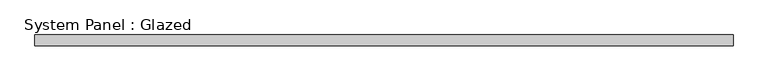
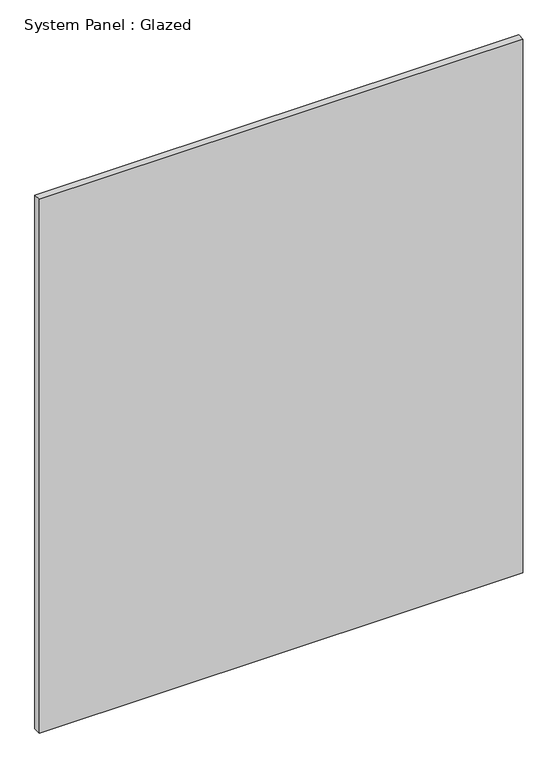
"""IFC4 building model written with IfcOpenShell, lengths in millimetres: plate geometry, System Panel : Glazed."""

from ifc_helpers import new_model, si_unit, origin, origin_with_axes, place, context, project, spatial, polyline, outline, extrude, source, transform, mapped, element, save


def system_panel_glazed_c3dd6e11(model_context):
    return source(origin(), model_context, "Body", "SweptSolid", [
        extrude(outline(polyline([(808.6842105, 52.5), (-808.6842105, 52.5), (-808.6842105, 77.5), (808.6842105, 77.5), (808.6842105, 52.5)])), origin_with_axes(), (0.0, 0.0, 1.0), 1886.6666667),
    ])


if __name__ == "__main__":
    model = new_model("IFC4")
    model_context = context("Model", 3, world=origin())
    ifc_project = project(units=[si_unit("LENGTHUNIT", "METRE", prefix="MILLI")], contexts=[model_context])
    site = spatial("IfcSite", under=ifc_project)
    building = spatial("IfcBuilding", under=site)
    placement = place(None, origin())
    system_panel_glazed_shape = system_panel_glazed_c3dd6e11(model_context)
    element("IfcPlate", 1, ObjectType="System Panel : Glazed", at=placement, inside=building, context=model_context, shape_type="MappedRepresentation", body=[
        mapped(system_panel_glazed_shape, transform((0.0, 0.0, 0.0), x_axis=(1.0, 0.0, 0.0), y_axis=(0.0, 1.0, 0.0), z_axis=(0.0, 0.0, 1.0))),
    ])
    save(model, "model.ifc")
